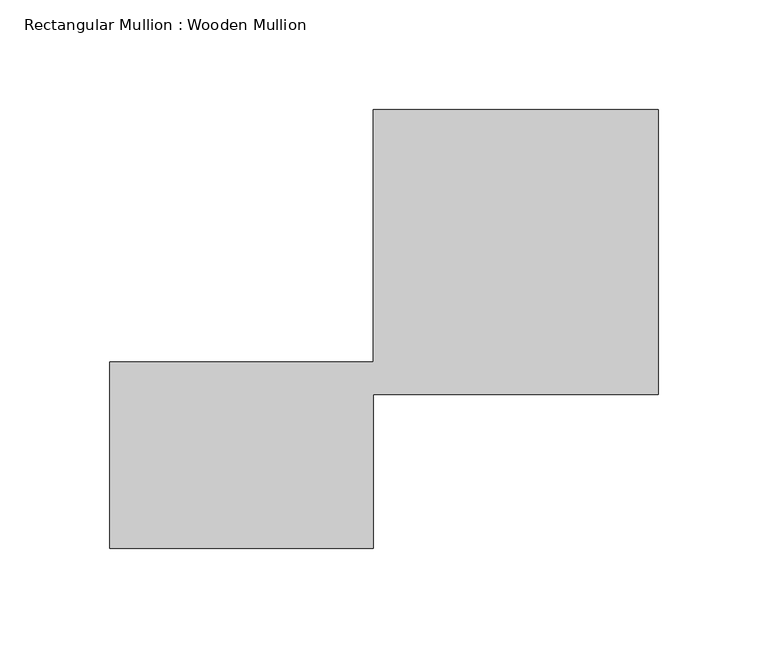
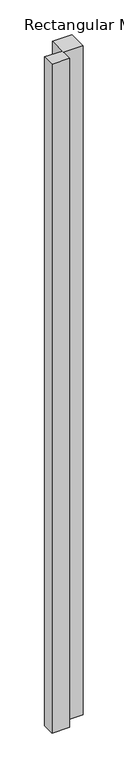
"""IFC4 building model written with IfcOpenShell, lengths in millimetres: member geometry, Rectangular Mullion : Wooden Mullion."""

from ifc_helpers import new_model, si_unit, frame, origin, place, context, project, spatial, polyline, outline, extrude, source, transform, mapped, element, save


def rectangular_mullion_wooden_mullion_4b641079(model_context):
    return source(origin(), model_context, "Body", "SweptSolid", [
        extrude(outline(polyline([(74.8100006, -26.0137344), (-45.1899994, -26.0137344), (-45.1899994, 58.9862656), (74.8100006, 58.9862656), (74.8100006, 173.9862656), (204.8100006, 173.9862656), (204.8100006, 43.9862656), (74.8100006, 43.9862656), (74.8100006, -26.0137344)])), frame((0.0, 0.0, -4763.9269892), z_axis=(0.0, 0.0, 1.0), x_axis=(1.0, 0.0, 0.0)), (0.0, 0.0, 1.0), 4763.9269892),
    ])


if __name__ == "__main__":
    model = new_model("IFC4")
    model_context = context("Model", 3, world=origin())
    ifc_project = project(units=[si_unit("LENGTHUNIT", "METRE", prefix="MILLI")], contexts=[model_context])
    site = spatial("IfcSite", under=ifc_project)
    building = spatial("IfcBuilding", under=site)
    placement = place(None, origin())
    rectangular_mullion_wooden_mullion_shape = rectangular_mullion_wooden_mullion_4b641079(model_context)
    element("IfcMember", 1, ObjectType="Rectangular Mullion : Wooden Mullion", at=placement, inside=building, context=model_context, shape_type="MappedRepresentation", body=[
        mapped(rectangular_mullion_wooden_mullion_shape, transform((0.0, 0.0, 0.0), x_axis=(1.0, 0.0, 0.0), y_axis=(0.0, 1.0, 0.0), z_axis=(0.0, 0.0, 1.0))),
    ])
    save(model, "model.ifc")
